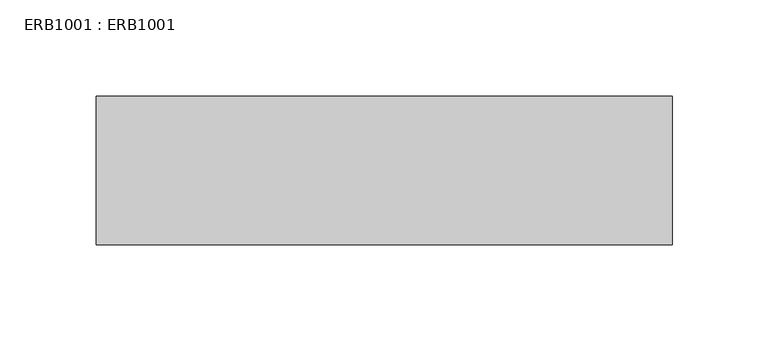
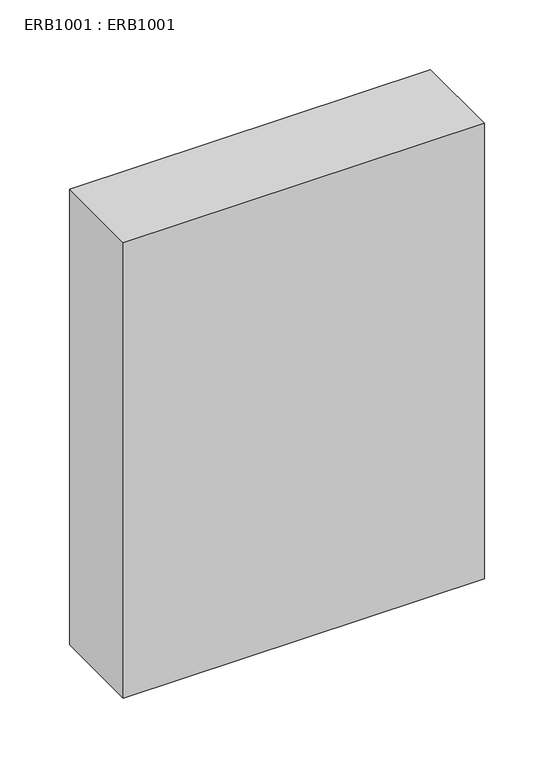
"""IFC4 building model written with IfcOpenShell, lengths in millimetres: proxy geometry, ERB1001 : ERB1001."""

import ifcopenshell
import ifcopenshell.guid

model = None  # the IFC model being written
_history = None  # IfcOwnerHistory: only IFC2X3 demands one
_inside = {}  # id of a spatial element -> (the spatial element, [elements in it])
_under = {}  # id of a project, library or spatial element -> (it, [spatial elements below it])
_declared = {}  # id of a project -> (the project, [libraries it declares])
_typed = {}  # id of a type object -> (the type object, [elements of that type])
_made_of = {}  # id of a material, layer set ... -> (it, [elements and type objects made of it])


def new_model(schema):
    """Start an empty IFC model of exactly this schema.

    Asked for "IFC4X3", IfcOpenShell would pick the latest addendum, in which some entities
    have other attributes; the version numbers below select the first issue.
    IFC2X3 requires an IfcOwnerHistory on every rooted entity: one is made here for all.
    """
    global model, _history
    if schema == "IFC4X3":
        model = ifcopenshell.file(schema_version=(4, 3, 0, 0))
    else:
        model = ifcopenshell.file(schema=schema)
    _inside.clear()
    _under.clear()
    _declared.clear()
    _typed.clear()
    _made_of.clear()
    _history = None
    if model.schema == "IFC2X3":
        org = make("IfcOrganization", Name="unknown")
        user = make(
            "IfcPersonAndOrganization",
            ThePerson=make("IfcPerson", FamilyName="unknown"),
            TheOrganization=org,
        )
        app = make(
            "IfcApplication",
            ApplicationDeveloper=org,
            Version="unknown",
            ApplicationFullName="unknown",
            ApplicationIdentifier="unknown",
        )
        _history = make(
            "IfcOwnerHistory",
            OwningUser=user,
            OwningApplication=app,
            ChangeAction="ADDED",
            CreationDate=0,
        )
    return model


def make(cls, **values):
    """One entity of the class cls with the attributes given. An attribute that is None is left unset."""
    return model.create_entity(
        cls, **{name: value for name, value in values.items() if value is not None}
    )


def rooted(cls, **values):
    """An entity with a GlobalId (a new one), such as an element, a storey or a relation."""
    return make(cls, GlobalId=ifcopenshell.guid.new(), OwnerHistory=_history, **values)


def si_unit(unit_type, name, prefix=None):
    """IfcSIUnit, for example si_unit("LENGTHUNIT", "METRE", prefix="MILLI")."""
    return make("IfcSIUnit", UnitType=unit_type, Prefix=prefix, Name=name)


def assignment(units):
    """IfcUnitAssignment: the units of a project."""
    return None if units is None else make("IfcUnitAssignment", Units=units)


def point(xyz):
    """IfcCartesianPoint."""
    return None if xyz is None else make("IfcCartesianPoint", Coordinates=xyz)


def direction(xyz):
    """IfcDirection."""
    return None if xyz is None else make("IfcDirection", DirectionRatios=xyz)


def frame(location, z_axis=None, x_axis=None):
    """IfcAxis2Placement3D, a coordinate frame: its origin and axes. An axis left out is left unset."""
    return make(
        "IfcAxis2Placement3D",
        Location=point(location),
        Axis=direction(z_axis),
        RefDirection=direction(x_axis),
    )


def origin():
    """The frame at (0, 0, 0) with its axes left unset."""
    return frame((0.0, 0.0, 0.0))


def place(relative_to, where):
    """IfcLocalPlacement: puts the frame where relative to a parent placement (None: the world)."""
    return make(
        "IfcLocalPlacement", PlacementRelTo=relative_to, RelativePlacement=where
    )


def context(
    kind, dimensions, precision=None, world=None, true_north=None, identifier=None
):
    """IfcGeometricRepresentationContext, for example the 3D "Model" context."""
    return make(
        "IfcGeometricRepresentationContext",
        ContextIdentifier=identifier,
        ContextType=kind,
        CoordinateSpaceDimension=dimensions,
        Precision=precision,
        WorldCoordinateSystem=world,
        TrueNorth=true_north,
    )


def project(units=None, contexts=None):
    """IfcProject with its units and contexts."""
    return rooted(
        "IfcProject",
        Name="project",
        RepresentationContexts=contexts,
        UnitsInContext=assignment(units),
    )


def spatial(cls, under=None, at=None, **own):
    """A site, building, storey or space (cls), placed at a placement, below another one or the project."""
    s = rooted(cls, ObjectPlacement=at, **own)
    if under is not None:
        _under.setdefault(under.id(), (under, []))[1].append(s)
    return s


def polyline(points):
    """IfcPolyline through the points."""
    return make("IfcPolyline", Points=[point(p) for p in points])


def outline(outer, holes=None, kind="AREA"):
    """IfcArbitraryClosedProfileDef: a profile drawn as a closed curve; with holes, ...WithVoids."""
    if holes is None:
        return make("IfcArbitraryClosedProfileDef", ProfileType=kind, OuterCurve=outer)
    return make(
        "IfcArbitraryProfileDefWithVoids",
        ProfileType=kind,
        OuterCurve=outer,
        InnerCurves=holes,
    )


def extrude(swept, where, along, depth):
    """IfcExtrudedAreaSolid: the profile swept, set in the frame where, extruded along a direction by depth."""
    return make(
        "IfcExtrudedAreaSolid",
        SweptArea=swept,
        Position=where,
        ExtrudedDirection=direction(along),
        Depth=depth,
    )


def shape(context_of_items, identifier, shape_type, items):
    """IfcShapeRepresentation: the items that make up one representation, for example the "Body"."""
    return make(
        "IfcShapeRepresentation",
        ContextOfItems=context_of_items,
        RepresentationIdentifier=identifier,
        RepresentationType=shape_type,
        Items=items,
    )


def source(mapping_origin, context_of_items, identifier, shape_type, items):
    """IfcRepresentationMap: a shape defined once, which mapped items show again and again."""
    return make(
        "IfcRepresentationMap",
        MappingOrigin=mapping_origin,
        MappedRepresentation=shape(context_of_items, identifier, shape_type, items),
    )


def transform(
    local_origin,
    x_axis=None,
    y_axis=None,
    z_axis=None,
    scale=None,
    scale2=None,
    scale3=None,
    uniform=True,
):
    """IfcCartesianTransformationOperator3D, or its non-uniform kind. x_axis, y_axis, z_axis: its Axis1, 2, 3."""
    if uniform:
        return make(
            "IfcCartesianTransformationOperator3D",
            Axis1=direction(x_axis),
            Axis2=direction(y_axis),
            LocalOrigin=point(local_origin),
            Scale=scale,
            Axis3=direction(z_axis),
        )
    return make(
        "IfcCartesianTransformationOperator3DnonUniform",
        Axis1=direction(x_axis),
        Axis2=direction(y_axis),
        LocalOrigin=point(local_origin),
        Scale=scale,
        Axis3=direction(z_axis),
        Scale2=scale2,
        Scale3=scale3,
    )


def mapped(mapping_source, mapping_target):
    """IfcMappedItem: shows the shape of a source again, moved by a transform."""
    return make(
        "IfcMappedItem", MappingSource=mapping_source, MappingTarget=mapping_target
    )


def made_of(thing, what):
    """Note that an element or type object is made of a material, layer set ...; save() writes the relation."""
    if what is not None:
        _made_of.setdefault(what.id(), (what, []))[1].append(thing)
    return thing


def element(
    cls,
    number,
    at=None,
    inside=None,
    cuts=None,
    type_object=None,
    material=None,
    context=None,
    identifier="Body",
    shape_type=None,
    held_by="IfcProductDefinitionShape",
    body=None,
    shapes=None,
    **own,
):
    """One element of the class cls, such as IfcWall. Its Tag is "e" and its number.

    at: its placement. inside: the storey or other place that contains it. cuts: it is an
    opening in that element (IfcRelVoidsElement). A single representation is given by context,
    identifier, shape_type and body (its items); several are given by shapes. held_by: the class
    of the entity that holds the representations. save() writes the other relations.
    """
    e = rooted(cls, Tag="e%d" % number, ObjectPlacement=at, **own)
    if body is not None:
        shapes = [shape(context, identifier, shape_type, body)]
    if shapes is not None:
        e.Representation = make(held_by, Representations=shapes)
    if inside is not None:
        _inside.setdefault(inside.id(), (inside, []))[1].append(e)
    if cuts is not None:
        rooted(
            "IfcRelVoidsElement", RelatingBuildingElement=cuts, RelatedOpeningElement=e
        )
    if type_object is not None:
        _typed.setdefault(type_object.id(), (type_object, []))[1].append(e)
    return made_of(e, material)


def aggregate(whole, parts):
    """IfcRelAggregates: a whole, such as a stair, and the parts it consists of."""
    return rooted("IfcRelAggregates", RelatingObject=whole, RelatedObjects=parts)


def save(model, path):
    """Write the relations noted so far, then the file.

    IfcRelAggregates (storeys below a building ...), IfcRelContainedInSpatialStructure (elements
    in a storey), IfcRelDefinesByType, IfcRelAssociatesMaterial and IfcRelDeclares: one each for
    every whole, place, type object, material and project.
    """
    for whole, parts in _under.values():
        aggregate(whole, parts)
    for where, things in _inside.values():
        rooted(
            "IfcRelContainedInSpatialStructure",
            RelatedElements=things,
            RelatingStructure=where,
        )
    for kind, things in _typed.values():
        rooted("IfcRelDefinesByType", RelatedObjects=things, RelatingType=kind)
    for what, things in _made_of.values():
        rooted("IfcRelAssociatesMaterial", RelatedObjects=things, RelatingMaterial=what)
    for by, libraries in _declared.values():
        rooted("IfcRelDeclares", RelatingContext=by, RelatedDefinitions=libraries)
    model.write(path)


def erb1001_erb1001_4c0eb22b(model_context):
    return source(origin(), model_context, "Body", "SweptSolid", [
        extrude(outline(polyline([(300.0, -77.5), (0.0, -77.5), (0.0, 0.0), (300.0, 0.0), (300.0, -77.5)])), frame((0.0, 0.0, -200.0), z_axis=(0.0, 0.0, 1.0), x_axis=(1.0, 0.0, 0.0)), (0.0, 0.0, 1.0), 400.0),
    ])


if __name__ == "__main__":
    model = new_model("IFC4")
    model_context = context("Model", 3, world=origin())
    ifc_project = project(units=[si_unit("LENGTHUNIT", "METRE", prefix="MILLI")], contexts=[model_context])
    site = spatial("IfcSite", under=ifc_project)
    building = spatial("IfcBuilding", under=site)
    placement = place(None, origin())
    erb1001_erb1001_shape = erb1001_erb1001_4c0eb22b(model_context)
    element("IfcBuildingElementProxy", 1, Name="ERB1001 : ERB1001", ObjectType="ERB1001 : ERB1001", at=placement, inside=building, context=model_context, shape_type="MappedRepresentation", body=[
        mapped(erb1001_erb1001_shape, transform((0.0, 0.0, 0.0), x_axis=(1.0, 0.0, 0.0), y_axis=(0.0, 1.0, 0.0), z_axis=(0.0, 0.0, 1.0))),
    ])
    save(model, "model.ifc")
